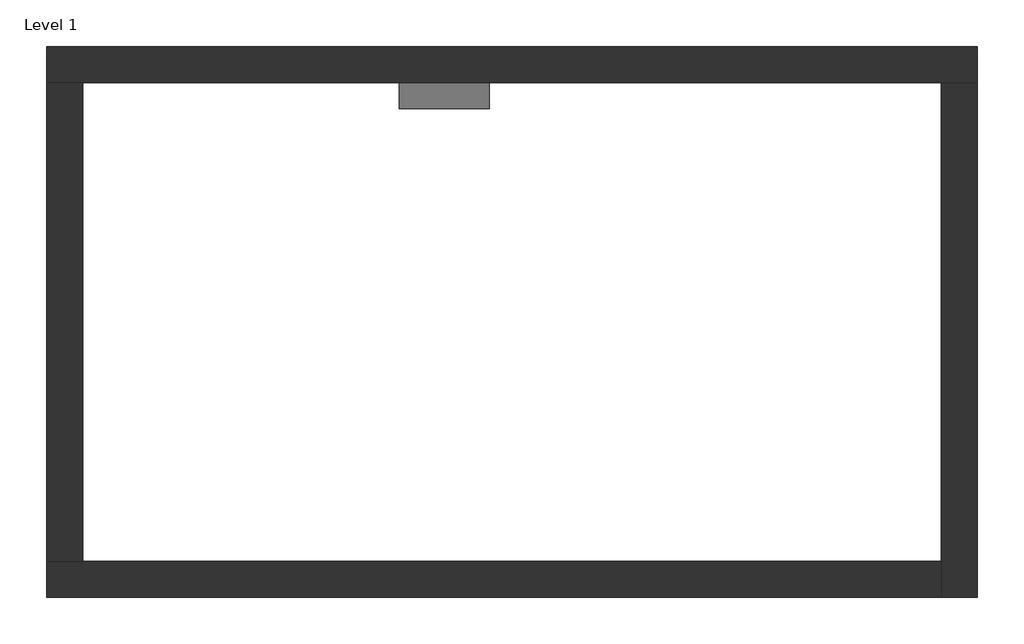
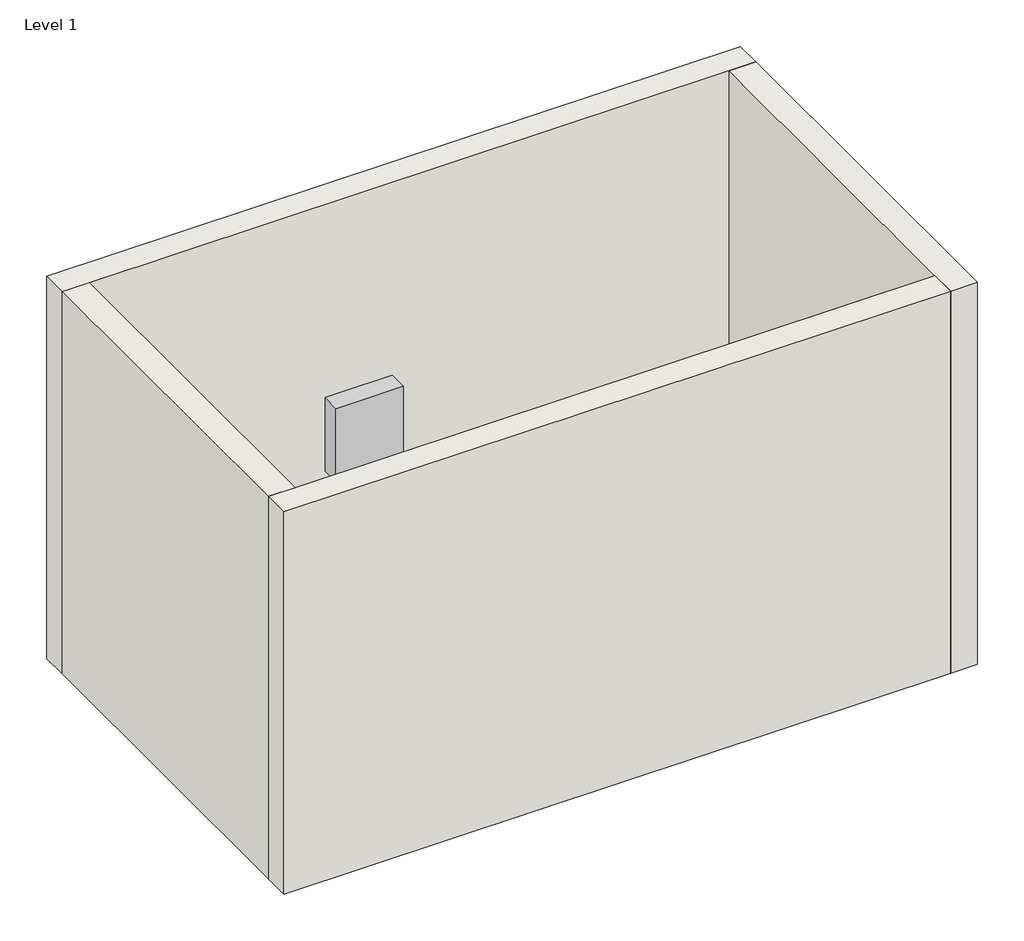
# One storey: 4 walls, 1 proxy.
"""IFC4 building model written with IfcOpenShell, lengths in millimetres."""

import ifcopenshell
import ifcopenshell.guid

model = None  # the IFC model being written
_history = None  # IfcOwnerHistory: only IFC2X3 demands one
_inside = {}  # id of a spatial element -> (the spatial element, [elements in it])
_under = {}  # id of a project, library or spatial element -> (it, [spatial elements below it])
_declared = {}  # id of a project -> (the project, [libraries it declares])
_typed = {}  # id of a type object -> (the type object, [elements of that type])
_made_of = {}  # id of a material, layer set ... -> (it, [elements and type objects made of it])


def new_model(schema):
    """Start an empty IFC model of exactly this schema.

    Asked for "IFC4X3", IfcOpenShell would pick the latest addendum, in which some entities
    have other attributes; the version numbers below select the first issue.
    IFC2X3 requires an IfcOwnerHistory on every rooted entity: one is made here for all.
    """
    global model, _history
    if schema == "IFC4X3":
        model = ifcopenshell.file(schema_version=(4, 3, 0, 0))
    else:
        model = ifcopenshell.file(schema=schema)
    _inside.clear()
    _under.clear()
    _declared.clear()
    _typed.clear()
    _made_of.clear()
    _history = None
    if model.schema == "IFC2X3":
        org = make("IfcOrganization", Name="unknown")
        user = make(
            "IfcPersonAndOrganization",
            ThePerson=make("IfcPerson", FamilyName="unknown"),
            TheOrganization=org,
        )
        app = make(
            "IfcApplication",
            ApplicationDeveloper=org,
            Version="unknown",
            ApplicationFullName="unknown",
            ApplicationIdentifier="unknown",
        )
        _history = make(
            "IfcOwnerHistory",
            OwningUser=user,
            OwningApplication=app,
            ChangeAction="ADDED",
            CreationDate=0,
        )
    return model


def make(cls, **values):
    """One entity of the class cls with the attributes given. An attribute that is None is left unset."""
    return model.create_entity(
        cls, **{name: value for name, value in values.items() if value is not None}
    )


def rooted(cls, **values):
    """An entity with a GlobalId (a new one), such as an element, a storey or a relation."""
    return make(cls, GlobalId=ifcopenshell.guid.new(), OwnerHistory=_history, **values)


def si_unit(unit_type, name, prefix=None):
    """IfcSIUnit, for example si_unit("LENGTHUNIT", "METRE", prefix="MILLI")."""
    return make("IfcSIUnit", UnitType=unit_type, Prefix=prefix, Name=name)


def assignment(units):
    """IfcUnitAssignment: the units of a project."""
    return None if units is None else make("IfcUnitAssignment", Units=units)


def point(xyz):
    """IfcCartesianPoint."""
    return None if xyz is None else make("IfcCartesianPoint", Coordinates=xyz)


def direction(xyz):
    """IfcDirection."""
    return None if xyz is None else make("IfcDirection", DirectionRatios=xyz)


def frame(location, z_axis=None, x_axis=None):
    """IfcAxis2Placement3D, a coordinate frame: its origin and axes. An axis left out is left unset."""
    return make(
        "IfcAxis2Placement3D",
        Location=point(location),
        Axis=direction(z_axis),
        RefDirection=direction(x_axis),
    )


def origin():
    """The frame at (0, 0, 0) with its axes left unset."""
    return frame((0.0, 0.0, 0.0))


def origin_with_axes():
    """The frame at (0, 0, 0) with the z axis (0, 0, 1) and the x axis (1, 0, 0) written out."""
    return frame((0.0, 0.0, 0.0), z_axis=(0.0, 0.0, 1.0), x_axis=(1.0, 0.0, 0.0))


def place(relative_to, where):
    """IfcLocalPlacement: puts the frame where relative to a parent placement (None: the world)."""
    return make(
        "IfcLocalPlacement", PlacementRelTo=relative_to, RelativePlacement=where
    )


def context(
    kind, dimensions, precision=None, world=None, true_north=None, identifier=None
):
    """IfcGeometricRepresentationContext, for example the 3D "Model" context."""
    return make(
        "IfcGeometricRepresentationContext",
        ContextIdentifier=identifier,
        ContextType=kind,
        CoordinateSpaceDimension=dimensions,
        Precision=precision,
        WorldCoordinateSystem=world,
        TrueNorth=true_north,
    )


def project(units=None, contexts=None):
    """IfcProject with its units and contexts."""
    return rooted(
        "IfcProject",
        Name="project",
        RepresentationContexts=contexts,
        UnitsInContext=assignment(units),
    )


def spatial(cls, under=None, at=None, **own):
    """A site, building, storey or space (cls), placed at a placement, below another one or the project."""
    s = rooted(cls, ObjectPlacement=at, **own)
    if under is not None:
        _under.setdefault(under.id(), (under, []))[1].append(s)
    return s


def polyline(points):
    """IfcPolyline through the points."""
    return make("IfcPolyline", Points=[point(p) for p in points])


def outline(outer, holes=None, kind="AREA"):
    """IfcArbitraryClosedProfileDef: a profile drawn as a closed curve; with holes, ...WithVoids."""
    if holes is None:
        return make("IfcArbitraryClosedProfileDef", ProfileType=kind, OuterCurve=outer)
    return make(
        "IfcArbitraryProfileDefWithVoids",
        ProfileType=kind,
        OuterCurve=outer,
        InnerCurves=holes,
    )


def extrude(swept, where, along, depth):
    """IfcExtrudedAreaSolid: the profile swept, set in the frame where, extruded along a direction by depth."""
    return make(
        "IfcExtrudedAreaSolid",
        SweptArea=swept,
        Position=where,
        ExtrudedDirection=direction(along),
        Depth=depth,
    )


def faces_of(points, faces, orient=None, outer=None):
    """IfcFace entities. A face is a list of loops; a loop is a list of indices into points, from 0.

    orient and outer hold one flag for each loop. By default every Orientation is true, the
    first loop of a face is its IfcFaceOuterBound and the others are IfcFaceBound.
    """
    made = []
    for i, loops in enumerate(faces):
        bounds = []
        for j, loop in enumerate(loops):
            is_outer = j == 0 if outer is None else outer[i][j]
            bounds.append(
                make(
                    "IfcFaceOuterBound" if is_outer else "IfcFaceBound",
                    Bound=make("IfcPolyLoop", Polygon=[points[k] for k in loop]),
                    Orientation=True if orient is None else orient[i][j],
                )
            )
        made.append(make("IfcFace", Bounds=bounds))
    return made


def faceted_brep(points, faces, orient=None, outer=None, voids=None):
    """IfcFacetedBrep: a solid bounded by flat faces; with voids (closed shells), ...WithVoids."""
    shared = [point(p) for p in points]
    hull = make("IfcClosedShell", CfsFaces=faces_of(shared, faces, orient, outer))
    if voids is None:
        return make("IfcFacetedBrep", Outer=hull)
    return make(
        "IfcFacetedBrepWithVoids",
        Outer=hull,
        Voids=[
            make(cls, CfsFaces=faces_of(shared, fs, o, b)) for cls, fs, o, b in voids
        ],
    )


def shape(context_of_items, identifier, shape_type, items):
    """IfcShapeRepresentation: the items that make up one representation, for example the "Body"."""
    return make(
        "IfcShapeRepresentation",
        ContextOfItems=context_of_items,
        RepresentationIdentifier=identifier,
        RepresentationType=shape_type,
        Items=items,
    )


def source(mapping_origin, context_of_items, identifier, shape_type, items):
    """IfcRepresentationMap: a shape defined once, which mapped items show again and again."""
    return make(
        "IfcRepresentationMap",
        MappingOrigin=mapping_origin,
        MappedRepresentation=shape(context_of_items, identifier, shape_type, items),
    )


def transform(
    local_origin,
    x_axis=None,
    y_axis=None,
    z_axis=None,
    scale=None,
    scale2=None,
    scale3=None,
    uniform=True,
):
    """IfcCartesianTransformationOperator3D, or its non-uniform kind. x_axis, y_axis, z_axis: its Axis1, 2, 3."""
    if uniform:
        return make(
            "IfcCartesianTransformationOperator3D",
            Axis1=direction(x_axis),
            Axis2=direction(y_axis),
            LocalOrigin=point(local_origin),
            Scale=scale,
            Axis3=direction(z_axis),
        )
    return make(
        "IfcCartesianTransformationOperator3DnonUniform",
        Axis1=direction(x_axis),
        Axis2=direction(y_axis),
        LocalOrigin=point(local_origin),
        Scale=scale,
        Axis3=direction(z_axis),
        Scale2=scale2,
        Scale3=scale3,
    )


def mapped(mapping_source, mapping_target):
    """IfcMappedItem: shows the shape of a source again, moved by a transform."""
    return make(
        "IfcMappedItem", MappingSource=mapping_source, MappingTarget=mapping_target
    )


def made_of(thing, what):
    """Note that an element or type object is made of a material, layer set ...; save() writes the relation."""
    if what is not None:
        _made_of.setdefault(what.id(), (what, []))[1].append(thing)
    return thing


def element(
    cls,
    number,
    at=None,
    inside=None,
    cuts=None,
    type_object=None,
    material=None,
    context=None,
    identifier="Body",
    shape_type=None,
    held_by="IfcProductDefinitionShape",
    body=None,
    shapes=None,
    **own,
):
    """One element of the class cls, such as IfcWall. Its Tag is "e" and its number.

    at: its placement. inside: the storey or other place that contains it. cuts: it is an
    opening in that element (IfcRelVoidsElement). A single representation is given by context,
    identifier, shape_type and body (its items); several are given by shapes. held_by: the class
    of the entity that holds the representations. save() writes the other relations.
    """
    e = rooted(cls, Tag="e%d" % number, ObjectPlacement=at, **own)
    if body is not None:
        shapes = [shape(context, identifier, shape_type, body)]
    if shapes is not None:
        e.Representation = make(held_by, Representations=shapes)
    if inside is not None:
        _inside.setdefault(inside.id(), (inside, []))[1].append(e)
    if cuts is not None:
        rooted(
            "IfcRelVoidsElement", RelatingBuildingElement=cuts, RelatedOpeningElement=e
        )
    if type_object is not None:
        _typed.setdefault(type_object.id(), (type_object, []))[1].append(e)
    return made_of(e, material)


def aggregate(whole, parts):
    """IfcRelAggregates: a whole, such as a stair, and the parts it consists of."""
    return rooted("IfcRelAggregates", RelatingObject=whole, RelatedObjects=parts)


def save(model, path):
    """Write the relations noted so far, then the file.

    IfcRelAggregates (storeys below a building ...), IfcRelContainedInSpatialStructure (elements
    in a storey), IfcRelDefinesByType, IfcRelAssociatesMaterial and IfcRelDeclares: one each for
    every whole, place, type object, material and project.
    """
    for whole, parts in _under.values():
        aggregate(whole, parts)
    for where, things in _inside.values():
        rooted(
            "IfcRelContainedInSpatialStructure",
            RelatedElements=things,
            RelatingStructure=where,
        )
    for kind, things in _typed.values():
        rooted("IfcRelDefinesByType", RelatedObjects=things, RelatingType=kind)
    for what, things in _made_of.values():
        rooted("IfcRelAssociatesMaterial", RelatedObjects=things, RelatingMaterial=what)
    for by, libraries in _declared.values():
        rooted("IfcRelDeclares", RelatingContext=by, RelatedDefinitions=libraries)
    model.write(path)


def lighting_and_appliance_panelboard_208v_mcb_surface_100_a_d77b24c2(model_context):
    return source(origin(), model_context, "Body", "SweptSolid", [
        extrude(outline(polyline([(349.2594706, 55.9943297), (349.2594706, -528.2056703), (-158.7405294, -528.2056703), (-158.7405294, 55.9943297), (349.2594706, 55.9943297)])), origin_with_axes(), (0.0, 0.0, 1.0), 146.05),
    ])


model = new_model("IFC4")

# Units and contexts
model_context = context("Model", 3, world=origin())
ifc_project = project(units=[si_unit("LENGTHUNIT", "METRE", prefix="MILLI")], contexts=[model_context])

# Site, building, storey
site = spatial("IfcSite", under=ifc_project)
building = spatial("IfcBuilding", under=site)
storey = spatial("IfcBuildingStorey", under=building, Name="Level 1", Elevation=0.0)

# Proxy
placement = place(None, origin())
lighting_and_appliance_panelboard_208v_mcb_surface_100_a_shape = lighting_and_appliance_panelboard_208v_mcb_surface_100_a_d77b24c2(model_context)
element("IfcBuildingElementProxy", 1, Name="Lighting and Appliance Panelboard - 208V MCB - Surface : 100 A", ObjectType="Lighting and Appliance Panelboard - 208V MCB - Surface : 100 A", at=placement, inside=storey, context=model_context, shape_type="MappedRepresentation", body=[
    mapped(lighting_and_appliance_panelboard_208v_mcb_surface_100_a_shape, transform((1536.918184, 11328.6035423, 1455.3056703), x_axis=(1.0, 0.0, 0.0), y_axis=(0.0, 0.0, 1.0), z_axis=(0.0, -1.0, 0.0))),
])

# Walls
element("IfcWall", 2, ObjectType="Generic - 8\"", at=placement, inside=storey, context=model_context, shape_type="Brep", body=[
    faceted_brep([(-603.0223454, 11328.6035423, 0.0), (-399.8223454, 11328.6035423, 0.0), (4426.1776546, 11328.6035423, 0.0), (4629.3776546, 11328.6035423, 0.0), (4629.3776546, 11328.6035423, 3048.0), (4426.1776546, 11328.6035423, 3048.0), (-399.8223454, 11328.6035423, 3048.0), (-603.0223454, 11328.6035423, 3048.0), (-603.0223454, 11531.8035423, 0.0), (-603.0223454, 11531.8035423, 3048.0), (4629.3776546, 11531.8035423, 3048.0), (4629.3776546, 11531.8035423, 0.0)], [[[0, 1, 2, 3, 4, 5, 6, 7]], [[8, 9, 10, 11]], [[3, 2, 1, 0, 8, 11]], [[7, 6, 5, 4, 10, 9]], [[4, 3, 11, 10]], [[0, 7, 9, 8]]]),
])
element("IfcWall", 3, ObjectType="Generic - 8\"", at=placement, inside=storey, context=model_context, shape_type="Brep", body=[
    faceted_brep([(4426.1776546, 11328.6035423, 0.0), (4426.1776546, 8636.2035423, 0.0), (4426.1776546, 8433.0035423, 0.0), (4426.1776546, 8433.0035423, 3048.0), (4426.1776546, 8636.2035423, 3048.0), (4426.1776546, 11328.6035423, 3048.0), (4629.3776546, 11328.6035423, 0.0), (4629.3776546, 11328.6035423, 3048.0), (4629.3776546, 8433.0035423, 3048.0), (4629.3776546, 8433.0035423, 0.0)], [[[0, 1, 2, 3, 4, 5]], [[6, 7, 8, 9]], [[2, 1, 0, 6, 9]], [[5, 4, 3, 8, 7]], [[0, 5, 7, 6]], [[3, 2, 9, 8]]]),
])
element("IfcWall", 4, ObjectType="Generic - 8\"", at=placement, inside=storey, context=model_context, shape_type="Brep", body=[
    faceted_brep([(4426.1776546, 8636.2035423, 0.0), (-399.8223454, 8636.2035423, 0.0), (-603.0223454, 8636.2035423, 0.0), (-603.0223454, 8636.2035423, 3048.0), (-399.8223454, 8636.2035423, 3048.0), (4426.1776546, 8636.2035423, 3048.0), (4426.1776546, 8433.0035423, 0.0), (4426.1776546, 8433.0035423, 3048.0), (-603.0223454, 8433.0035423, 3048.0), (-603.0223454, 8433.0035423, 0.0)], [[[0, 1, 2, 3, 4, 5]], [[6, 7, 8, 9]], [[2, 1, 0, 6, 9]], [[5, 4, 3, 8, 7]], [[0, 5, 7, 6]], [[3, 2, 9, 8]]]),
])
element("IfcWall", 5, ObjectType="Generic - 8\"", at=placement, inside=storey, context=model_context, shape_type="SweptSolid", body=[
    extrude(outline(polyline([(-399.8223454, 11328.6035423), (-399.8223454, 8636.2035423), (-603.0223454, 8636.2035423), (-603.0223454, 11328.6035423), (-399.8223454, 11328.6035423)])), origin_with_axes(), (0.0, 0.0, 1.0), 3048.0),
])

save(model, "model.ifc")
